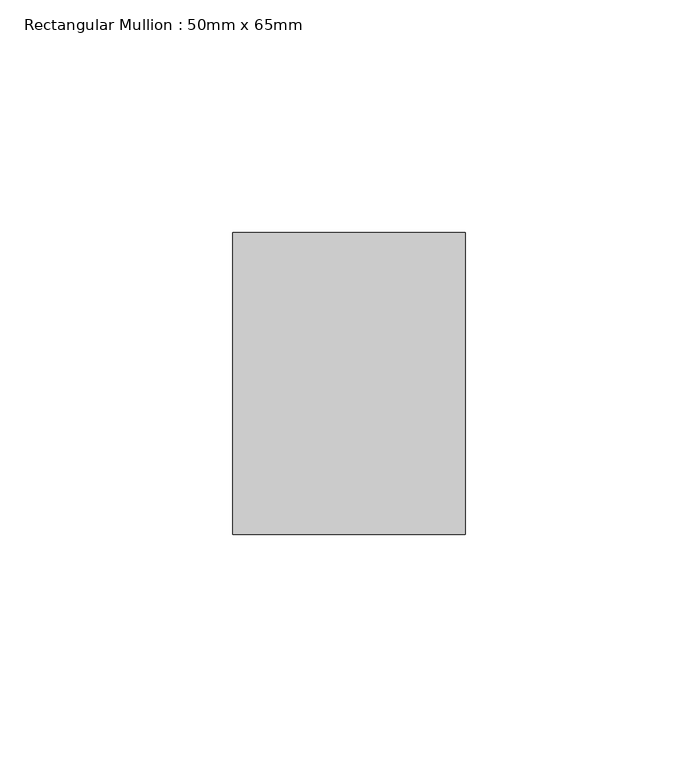
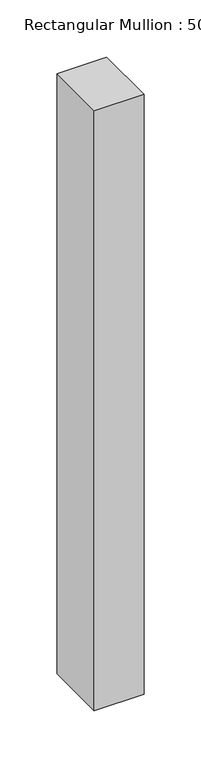
"""IFC4 building model written with IfcOpenShell, lengths in millimetres: member geometry, Rectangular Mullion : 50mm x 65mm."""

from ifc_helpers import new_model, si_unit, frame, origin, place, context, project, spatial, polyline, outline, extrude, source, transform, mapped, element, save


def rectangular_mullion_50mm_x_65mm_25596e59(model_context):
    return source(origin(), model_context, "Body", "SweptSolid", [
        extrude(outline(polyline([(25.0, 32.5), (25.0, -32.5), (-25.0, -32.5), (-25.0, 32.5), (25.0, 32.5)])), frame((0.0, 0.0, -639.7125156), z_axis=(0.0, 0.0, 1.0), x_axis=(1.0, 0.0, 0.0)), (0.0, 0.0, 1.0), 639.7125156),
    ])


if __name__ == "__main__":
    model = new_model("IFC4")
    model_context = context("Model", 3, world=origin())
    ifc_project = project(units=[si_unit("LENGTHUNIT", "METRE", prefix="MILLI")], contexts=[model_context])
    site = spatial("IfcSite", under=ifc_project)
    building = spatial("IfcBuilding", under=site)
    placement = place(None, origin())
    rectangular_mullion_50mm_x_65mm_shape = rectangular_mullion_50mm_x_65mm_25596e59(model_context)
    element("IfcMember", 1, ObjectType="Rectangular Mullion : 50mm x 65mm", at=placement, inside=building, context=model_context, shape_type="MappedRepresentation", body=[
        mapped(rectangular_mullion_50mm_x_65mm_shape, transform((0.0, 0.0, 0.0), x_axis=(1.0, 0.0, 0.0), y_axis=(0.0, 1.0, 0.0), z_axis=(0.0, 0.0, 1.0))),
    ])
    save(model, "model.ifc")
